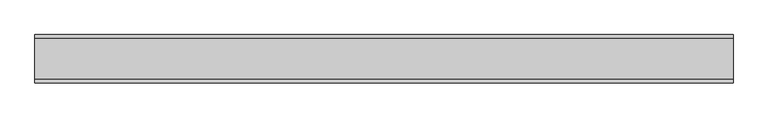
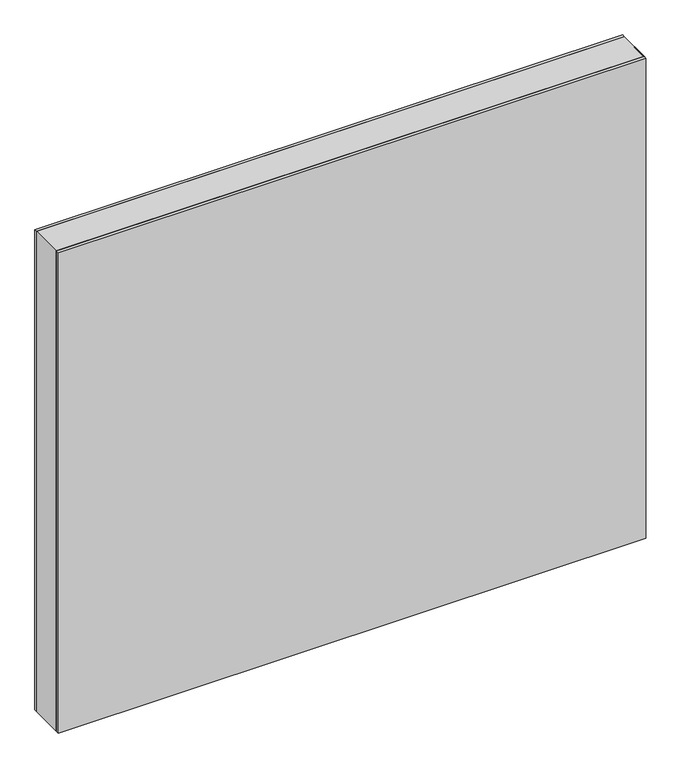
"""IFC4 building model written with IfcOpenShell, lengths in millimetres: plate geometry."""

from ifc_helpers import new_model, si_unit, frame, origin, origin_with_axes, place, context, project, spatial, polyline, outline, extrude, source, transform, mapped, element, save


def plate_13d3b72f(model_context):
    return source(origin(), model_context, "Body", "SweptSolid", [
        extrude(outline(polyline([(932.75, -539.6875001), (0.0, -539.6875001), (0.0, 539.6875001), (932.75, 539.6875001), (932.75, -539.6875001)]), holes=[polyline([(931.75, -538.6875001), (931.75, 538.6875001), (1.0, 538.6875001), (1.0, -538.6875001), (931.75, -538.6875001)])]), frame((0.0, -31.2, 0.0), z_axis=(0.0, 1.0, 0.0), x_axis=(0.0, 0.0, 1.0)), (0.0, 0.0, 1.0), 62.4),
        extrude(outline(polyline([(539.6875001, 31.2), (-539.6875001, 31.2), (-539.6875001, 37.2), (539.6875001, 37.2), (539.6875001, 31.2)])), origin_with_axes(), (0.0, 0.0, 1.0), 932.75),
        extrude(outline(polyline([(-539.6875001, -37.2), (-539.6875001, -31.2), (539.6875001, -31.2), (539.6875001, -37.2), (-539.6875001, -37.2)])), origin_with_axes(), (0.0, 0.0, 1.0), 932.75),
    ])


if __name__ == "__main__":
    model = new_model("IFC4")
    model_context = context("Model", 3, world=origin())
    ifc_project = project(units=[si_unit("LENGTHUNIT", "METRE", prefix="MILLI")], contexts=[model_context])
    site = spatial("IfcSite", under=ifc_project)
    building = spatial("IfcBuilding", under=site)
    placement = place(None, origin())
    plate_shape = plate_13d3b72f(model_context)
    element("IfcPlate", 1, at=placement, inside=building, context=model_context, shape_type="MappedRepresentation", body=[
        mapped(plate_shape, transform((0.0, 0.0, 0.0), x_axis=(1.0, 0.0, 0.0), y_axis=(0.0, 1.0, 0.0), z_axis=(0.0, 0.0, 1.0))),
    ])
    save(model, "model.ifc")
